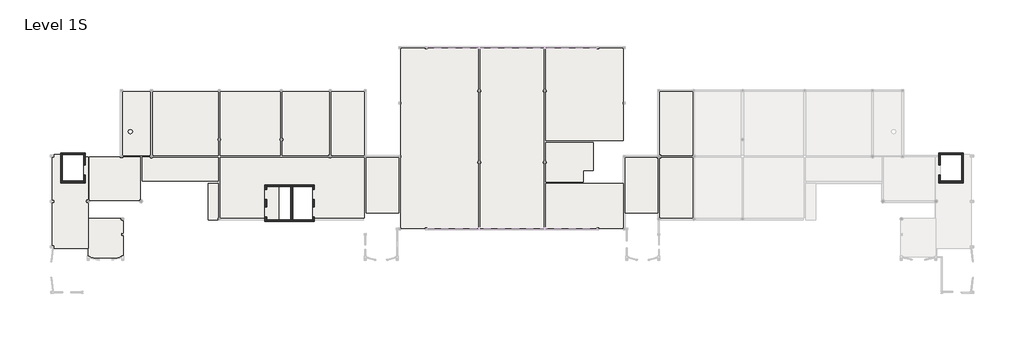
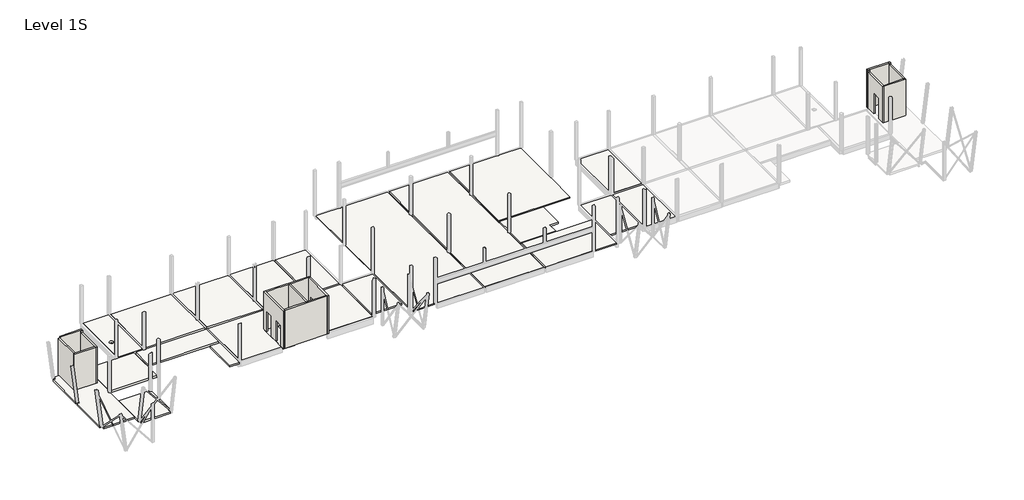
# One storey, part 1 of 8: 21 slabs, 13 walls.
"""IFC4 building model written with IfcOpenShell, lengths in millimetres."""

import ifcopenshell
import ifcopenshell.guid

model = None  # the IFC model being written
_history = None  # IfcOwnerHistory: only IFC2X3 demands one
_inside = {}  # id of a spatial element -> (the spatial element, [elements in it])
_under = {}  # id of a project, library or spatial element -> (it, [spatial elements below it])
_declared = {}  # id of a project -> (the project, [libraries it declares])
_typed = {}  # id of a type object -> (the type object, [elements of that type])
_made_of = {}  # id of a material, layer set ... -> (it, [elements and type objects made of it])


def new_model(schema):
    """Start an empty IFC model of exactly this schema.

    Asked for "IFC4X3", IfcOpenShell would pick the latest addendum, in which some entities
    have other attributes; the version numbers below select the first issue.
    IFC2X3 requires an IfcOwnerHistory on every rooted entity: one is made here for all.
    """
    global model, _history
    if schema == "IFC4X3":
        model = ifcopenshell.file(schema_version=(4, 3, 0, 0))
    else:
        model = ifcopenshell.file(schema=schema)
    _inside.clear()
    _under.clear()
    _declared.clear()
    _typed.clear()
    _made_of.clear()
    _history = None
    if model.schema == "IFC2X3":
        org = make("IfcOrganization", Name="unknown")
        user = make(
            "IfcPersonAndOrganization",
            ThePerson=make("IfcPerson", FamilyName="unknown"),
            TheOrganization=org,
        )
        app = make(
            "IfcApplication",
            ApplicationDeveloper=org,
            Version="unknown",
            ApplicationFullName="unknown",
            ApplicationIdentifier="unknown",
        )
        _history = make(
            "IfcOwnerHistory",
            OwningUser=user,
            OwningApplication=app,
            ChangeAction="ADDED",
            CreationDate=0,
        )
    return model


def make(cls, **values):
    """One entity of the class cls with the attributes given. An attribute that is None is left unset."""
    return model.create_entity(
        cls, **{name: value for name, value in values.items() if value is not None}
    )


def rooted(cls, **values):
    """An entity with a GlobalId (a new one), such as an element, a storey or a relation."""
    return make(cls, GlobalId=ifcopenshell.guid.new(), OwnerHistory=_history, **values)


def si_unit(unit_type, name, prefix=None):
    """IfcSIUnit, for example si_unit("LENGTHUNIT", "METRE", prefix="MILLI")."""
    return make("IfcSIUnit", UnitType=unit_type, Prefix=prefix, Name=name)


def assignment(units):
    """IfcUnitAssignment: the units of a project."""
    return None if units is None else make("IfcUnitAssignment", Units=units)


def point(xyz):
    """IfcCartesianPoint."""
    return None if xyz is None else make("IfcCartesianPoint", Coordinates=xyz)


def direction(xyz):
    """IfcDirection."""
    return None if xyz is None else make("IfcDirection", DirectionRatios=xyz)


def frame(location, z_axis=None, x_axis=None):
    """IfcAxis2Placement3D, a coordinate frame: its origin and axes. An axis left out is left unset."""
    return make(
        "IfcAxis2Placement3D",
        Location=point(location),
        Axis=direction(z_axis),
        RefDirection=direction(x_axis),
    )


def frame_2d(location, x_axis=None):
    """IfcAxis2Placement2D, a coordinate frame in the plane: its origin and x axis."""
    return make(
        "IfcAxis2Placement2D", Location=point(location), RefDirection=direction(x_axis)
    )


def origin():
    """The frame at (0, 0, 0) with its axes left unset."""
    return frame((0.0, 0.0, 0.0))


def place(relative_to, where):
    """IfcLocalPlacement: puts the frame where relative to a parent placement (None: the world)."""
    return make(
        "IfcLocalPlacement", PlacementRelTo=relative_to, RelativePlacement=where
    )


def context(
    kind, dimensions, precision=None, world=None, true_north=None, identifier=None
):
    """IfcGeometricRepresentationContext, for example the 3D "Model" context."""
    return make(
        "IfcGeometricRepresentationContext",
        ContextIdentifier=identifier,
        ContextType=kind,
        CoordinateSpaceDimension=dimensions,
        Precision=precision,
        WorldCoordinateSystem=world,
        TrueNorth=true_north,
    )


def project(units=None, contexts=None):
    """IfcProject with its units and contexts."""
    return rooted(
        "IfcProject",
        Name="project",
        RepresentationContexts=contexts,
        UnitsInContext=assignment(units),
    )


def spatial(cls, under=None, at=None, **own):
    """A site, building, storey or space (cls), placed at a placement, below another one or the project."""
    s = rooted(cls, ObjectPlacement=at, **own)
    if under is not None:
        _under.setdefault(under.id(), (under, []))[1].append(s)
    return s


def polyline(points):
    """IfcPolyline through the points."""
    return make("IfcPolyline", Points=[point(p) for p in points])


def circle_curve(where, radius):
    """IfcCircle in the frame where."""
    return make("IfcCircle", Position=where, Radius=radius)


def trimmed(basis, trim1, trim2, sense, master):
    """IfcTrimmedCurve: the piece of a basis curve between two trims."""
    return make(
        "IfcTrimmedCurve",
        BasisCurve=basis,
        Trim1=trim1,
        Trim2=trim2,
        SenseAgreement=sense,
        MasterRepresentation=master,
    )


def segment(curve, same_sense, transition):
    """IfcCompositeCurveSegment."""
    return make(
        "IfcCompositeCurveSegment",
        Transition=transition,
        SameSense=same_sense,
        ParentCurve=curve,
    )


def composite_curve(segments, self_intersect=None):
    """IfcCompositeCurve: segments joined end to end."""
    return make("IfcCompositeCurve", Segments=segments, SelfIntersect=self_intersect)


def outline(outer, holes=None, kind="AREA"):
    """IfcArbitraryClosedProfileDef: a profile drawn as a closed curve; with holes, ...WithVoids."""
    if holes is None:
        return make("IfcArbitraryClosedProfileDef", ProfileType=kind, OuterCurve=outer)
    return make(
        "IfcArbitraryProfileDefWithVoids",
        ProfileType=kind,
        OuterCurve=outer,
        InnerCurves=holes,
    )


def extrude(swept, where, along, depth):
    """IfcExtrudedAreaSolid: the profile swept, set in the frame where, extruded along a direction by depth."""
    return make(
        "IfcExtrudedAreaSolid",
        SweptArea=swept,
        Position=where,
        ExtrudedDirection=direction(along),
        Depth=depth,
    )


def faces_of(points, faces, orient=None, outer=None):
    """IfcFace entities. A face is a list of loops; a loop is a list of indices into points, from 0.

    orient and outer hold one flag for each loop. By default every Orientation is true, the
    first loop of a face is its IfcFaceOuterBound and the others are IfcFaceBound.
    """
    made = []
    for i, loops in enumerate(faces):
        bounds = []
        for j, loop in enumerate(loops):
            is_outer = j == 0 if outer is None else outer[i][j]
            bounds.append(
                make(
                    "IfcFaceOuterBound" if is_outer else "IfcFaceBound",
                    Bound=make("IfcPolyLoop", Polygon=[points[k] for k in loop]),
                    Orientation=True if orient is None else orient[i][j],
                )
            )
        made.append(make("IfcFace", Bounds=bounds))
    return made


def faceted_brep(points, faces, orient=None, outer=None, voids=None):
    """IfcFacetedBrep: a solid bounded by flat faces; with voids (closed shells), ...WithVoids."""
    shared = [point(p) for p in points]
    hull = make("IfcClosedShell", CfsFaces=faces_of(shared, faces, orient, outer))
    if voids is None:
        return make("IfcFacetedBrep", Outer=hull)
    return make(
        "IfcFacetedBrepWithVoids",
        Outer=hull,
        Voids=[
            make(cls, CfsFaces=faces_of(shared, fs, o, b)) for cls, fs, o, b in voids
        ],
    )


def shape(context_of_items, identifier, shape_type, items):
    """IfcShapeRepresentation: the items that make up one representation, for example the "Body"."""
    return make(
        "IfcShapeRepresentation",
        ContextOfItems=context_of_items,
        RepresentationIdentifier=identifier,
        RepresentationType=shape_type,
        Items=items,
    )


def made_of(thing, what):
    """Note that an element or type object is made of a material, layer set ...; save() writes the relation."""
    if what is not None:
        _made_of.setdefault(what.id(), (what, []))[1].append(thing)
    return thing


def element(
    cls,
    number,
    at=None,
    inside=None,
    cuts=None,
    type_object=None,
    material=None,
    context=None,
    identifier="Body",
    shape_type=None,
    held_by="IfcProductDefinitionShape",
    body=None,
    shapes=None,
    **own,
):
    """One element of the class cls, such as IfcWall. Its Tag is "e" and its number.

    at: its placement. inside: the storey or other place that contains it. cuts: it is an
    opening in that element (IfcRelVoidsElement). A single representation is given by context,
    identifier, shape_type and body (its items); several are given by shapes. held_by: the class
    of the entity that holds the representations. save() writes the other relations.
    """
    e = rooted(cls, Tag="e%d" % number, ObjectPlacement=at, **own)
    if body is not None:
        shapes = [shape(context, identifier, shape_type, body)]
    if shapes is not None:
        e.Representation = make(held_by, Representations=shapes)
    if inside is not None:
        _inside.setdefault(inside.id(), (inside, []))[1].append(e)
    if cuts is not None:
        rooted(
            "IfcRelVoidsElement", RelatingBuildingElement=cuts, RelatedOpeningElement=e
        )
    if type_object is not None:
        _typed.setdefault(type_object.id(), (type_object, []))[1].append(e)
    return made_of(e, material)


def aggregate(whole, parts):
    """IfcRelAggregates: a whole, such as a stair, and the parts it consists of."""
    return rooted("IfcRelAggregates", RelatingObject=whole, RelatedObjects=parts)


def save(model, path):
    """Write the relations noted so far, then the file.

    IfcRelAggregates (storeys below a building ...), IfcRelContainedInSpatialStructure (elements
    in a storey), IfcRelDefinesByType, IfcRelAssociatesMaterial and IfcRelDeclares: one each for
    every whole, place, type object, material and project.
    """
    for whole, parts in _under.values():
        aggregate(whole, parts)
    for where, things in _inside.values():
        rooted(
            "IfcRelContainedInSpatialStructure",
            RelatedElements=things,
            RelatingStructure=where,
        )
    for kind, things in _typed.values():
        rooted("IfcRelDefinesByType", RelatedObjects=things, RelatingType=kind)
    for what, things in _made_of.values():
        rooted("IfcRelAssociatesMaterial", RelatedObjects=things, RelatingMaterial=what)
    for by, libraries in _declared.values():
        rooted("IfcRelDeclares", RelatingContext=by, RelatedDefinitions=libraries)
    model.write(path)


def plane_surface(at):
    """IfcPlane: the flat surface through the origin of the frame at, square to its z axis."""
    return make("IfcPlane", Position=at)


def revolved_surface(curve, axis_point, axis_direction):
    """IfcSurfaceOfRevolution: the curve turned about the line through axis_point along axis_direction."""
    return make(
        "IfcSurfaceOfRevolution",
        SweptCurve=make("IfcArbitraryOpenProfileDef", ProfileType="CURVE", Curve=curve),
        AxisPosition=make("IfcAxis1Placement", Location=point(axis_point), Axis=direction(axis_direction)),
    )


def advanced_brep(points, edges, surfaces, faces):
    """IfcAdvancedBrep: a solid bounded by faces that lie on surfaces and meet in shared edges.

    An edge is (start, end): straight between two places in points (the first is 0);
    or (start, end, curve); or (start, end, curve, False) where it runs against its curve.
    A face is (place in surfaces, loops), or (place, loops, False) where it looks against
    its surface's normal. A loop lists edges by number (the first is 1), with a minus sign
    where the edge is run from its end to its start. The first loop is the outer one.
    """
    corners = [point(p) for p in points]
    vertices = [make("IfcVertexPoint", VertexGeometry=c) for c in corners]
    made = []
    for start, end, *more in edges:
        made.append(
            make(
                "IfcEdgeCurve",
                EdgeStart=vertices[start],
                EdgeEnd=vertices[end],
                EdgeGeometry=more[0] if more else make("IfcPolyline", Points=[corners[start], corners[end]]),
                SameSense=more[1] if len(more) > 1 else True,
            )
        )
    hull = []
    for where, loops, *sense in faces:
        bounds = []
        for j, loop in enumerate(loops):
            ring = [make("IfcOrientedEdge", EdgeElement=made[abs(k) - 1], Orientation=k > 0) for k in loop]
            bounds.append(
                make(
                    "IfcFaceOuterBound" if j == 0 else "IfcFaceBound",
                    Bound=make("IfcEdgeLoop", EdgeList=ring),
                    Orientation=True,
                )
            )
        hull.append(make("IfcAdvancedFace", Bounds=bounds, FaceSurface=surfaces[where], SameSense=sense[0] if sense else True))
    return make("IfcAdvancedBrep", Outer=make("IfcClosedShell", CfsFaces=hull))


model = new_model("IFC4")

# Units and contexts
model_context = context("Model", 3, world=origin())
ifc_project = project(units=[si_unit("LENGTHUNIT", "METRE", prefix="MILLI")], contexts=[model_context])

# Site, building, storey
site = spatial("IfcSite", under=ifc_project)
building = spatial("IfcBuilding", under=site)
storey = spatial("IfcBuildingStorey", under=building, Name="Level 1S", Elevation=3900.0)

# Slabs
placement = place(None, origin())
element("IfcSlab", 1, ObjectType="Cast In Place 200", at=placement, inside=storey, context=model_context, shape_type="Brep", body=[
    faceted_brep([(-45247.5749186, -17952.2248986, 3700.0), (-45259.3783174, -17952.2248986, 3700.0), (-46182.5711521, -17952.2248986, 3700.0), (-46182.5711521, -14586.7502797, 3700.0), (-45247.5749186, -14586.7502797, 3700.0), (-46182.5711521, -17952.2248986, 3900.0), (-45259.3783174, -17952.2248986, 3900.0), (-45247.5749186, -17952.2248986, 3900.0), (-45247.5749186, -17740.4214998, 3900.0), (-45247.5749186, -14586.7502797, 3900.0), (-46182.5711521, -14586.7502797, 3900.0)], [[[0, 1, 2, 3, 4]], [[5, 6, 7, 8, 9, 10]], [[5, 2, 1, 0, 7, 6]], [[2, 5, 10, 3]], [[7, 0, 4, 9, 8]], [[4, 3, 10, 9]]]),
])
element("IfcSlab", 2, ObjectType="Cast In Place 200", at=placement, inside=storey, context=model_context, shape_type="Brep", body=[
    faceted_brep([(-11769.4345903, -14476.6395763, 3700.0), (-15207.5749186, -14476.6395763, 3700.0), (-15207.5749186, -10826.6395763, 3700.0), (-10869.4345903, -10826.6395763, 3700.0), (-10869.4345903, -13426.6395763, 3700.0), (-11212.6397185, -13426.6395763, 3700.0), (-11514.4345903, -13426.6395763, 3700.0), (-11769.4345903, -13426.6395763, 3700.0), (-11769.4345903, -14426.6395763, 3700.0), (-15207.5749186, -14476.6395763, 3900.0), (-11769.4345903, -14476.6395763, 3900.0), (-11769.4345903, -14426.6395763, 3900.0), (-11769.4345903, -13426.6395763, 3900.0), (-11489.4345903, -13426.6395763, 3900.0), (-10869.4345903, -13426.6395763, 3900.0), (-10869.4345903, -10826.6395763, 3900.0), (-15207.5749186, -10826.6395763, 3900.0), (-15207.5749186, -12527.9214998, 3900.0), (-15207.5749186, -12751.5282975, 3900.0)], [[[0, 1, 2, 3, 4, 5, 6, 7, 8]], [[9, 10, 11, 12, 13, 14, 15, 16, 17, 18]], [[10, 0, 8, 7, 12, 11]], [[0, 10, 9, 1]], [[3, 2, 16, 15]], [[2, 1, 9, 18, 17, 16]], [[14, 4, 3, 15]], [[4, 14, 13, 12, 7, 6, 5]]]),
])
element("IfcSlab", 3, ObjectType="Lattice Girder Slab 50/180", at=placement, inside=storey, context=model_context, shape_type="Brep", body=[
    faceted_brep([(-59550.0749186, -11939.7248986, 3720.0), (-59550.0749186, -14394.7248986, 3720.0), (-57575.0749186, -14394.7248986, 3720.0), (-57575.0749186, -12194.7248986, 3720.0), (-57277.5749186, -12194.7248986, 3720.0), (-57177.5749186, -12194.7248986, 3720.0), (-57177.5749186, -16092.6479759, 3720.0), (-57177.5749186, -16144.1031039, 3720.0), (-57277.5749186, -16144.1031039, 3720.0), (-57277.5749186, -16344.1031039, 3720.0), (-57177.5749186, -16344.1031039, 3720.0), (-57177.5749186, -16392.6479759, 3720.0), (-57177.5749186, -20569.7248986, 3720.0), (-60265.9892538, -20569.7248986, 3720.0), (-60265.9892538, -20291.3915653, 3720.0), (-60471.4951735, -20291.3915653, 3720.0), (-60471.9846915, -16375.558232, 3720.0), (-60265.9892538, -16375.558232, 3720.0), (-60265.9892538, -16115.558232, 3720.0), (-60472.0171941, -16115.558232, 3720.0), (-60472.5067121, -12199.7248986, 3720.0), (-60265.9892538, -12199.7248986, 3720.0), (-60265.9892538, -11939.7248986, 3720.0), (-59700.0749186, -11939.7248986, 3720.0), (-59550.0749186, -14394.7248986, 3900.0), (-59550.0749186, -11939.7248986, 3900.0), (-59700.0749186, -11939.7248986, 3900.0), (-60265.9892538, -11939.7248986, 3900.0), (-60265.9892538, -12199.7248986, 3900.0), (-60472.5067121, -12199.7248986, 3900.0), (-60472.0171941, -16115.558232, 3900.0), (-60265.9892538, -16115.558232, 3900.0), (-60265.9892538, -16375.558232, 3900.0), (-60471.9846915, -16375.558232, 3900.0), (-60471.4951735, -20291.3915653, 3900.0), (-60265.9892538, -20291.3915653, 3900.0), (-60265.9892538, -20569.7248986, 3900.0), (-57177.5749186, -20569.7248986, 3900.0), (-57177.5749186, -16392.6479759, 3900.0), (-57177.5749186, -16344.1031039, 3900.0), (-57277.5749186, -16344.1031039, 3900.0), (-57277.5749186, -16144.1031039, 3900.0), (-57177.5749186, -16144.1031039, 3900.0), (-57177.5749186, -16092.6479759, 3900.0), (-57177.5749186, -12194.7248986, 3900.0), (-57425.0749186, -12194.7248986, 3900.0), (-57575.0749186, -12194.7248986, 3900.0), (-57575.0749186, -14394.7248986, 3900.0)], [[[0, 1, 2, 3, 4, 5, 6, 7, 8, 9, 10, 11, 12, 13, 14, 15, 16, 17, 18, 19, 20, 21, 22, 23]], [[24, 25, 26, 27, 28, 29, 30, 31, 32, 33, 34, 35, 36, 37, 38, 39, 40, 41, 42, 43, 44, 45, 46, 47]], [[12, 37, 36, 13]], [[25, 0, 23, 22, 27, 26]], [[37, 12, 11, 10, 39, 38]], [[5, 44, 43, 42, 7, 6]], [[1, 0, 25, 24]], [[2, 1, 24, 47]], [[2, 47, 46, 3]], [[5, 4, 3, 46, 45, 44]], [[21, 28, 27, 22]], [[28, 21, 20, 29]], [[29, 20, 19, 30]], [[33, 16, 15, 34]], [[18, 31, 30, 19]], [[31, 18, 17, 32]], [[32, 17, 16, 33]], [[14, 35, 34, 15]], [[35, 14, 13, 36]], [[40, 9, 8, 41]], [[9, 40, 39, 10]], [[41, 8, 7, 42]]]),
])
element("IfcSlab", 4, ObjectType="Lattice Girder Slab 50/180", at=placement, inside=storey, context=model_context, shape_type="SweptSolid", body=[
    extrude(outline(composite_curve([segment(polyline([(-57177.5695392, -21232.8725944), (-57177.5695392, -17802.2248986), (-54161.4962748, -17802.2248986)]), True, "CONTINUOUS"), segment(trimmed(circle_curve(frame_2d((-54020.0749186, -17852.2248986)), 150.0), [point((-54161.4962748, -17802.2248986))], [point((-54170.0749186, -17852.2248986))], True, "CARTESIAN"), True, "CONTINUOUS"), segment(trimmed(circle_curve(frame_2d((-54020.0749186, -17852.2248986)), 150.0), [point((-54170.0749186, -17852.2248986))], [point((-53970.0749186, -17993.6462549))], True, "CARTESIAN"), True, "CONTINUOUS"), segment(polyline([(-53970.0749186, -17993.6462549), (-53970.0749186, -19199.1395763), (-54115.0749186, -19199.1395763), (-54115.0749186, -19399.1395763), (-53970.0749186, -19399.1395763), (-53970.0749186, -21203.3007415), (-54150.0749186, -21203.3007415), (-54150.0749186, -21439.878054), (-57047.5749186, -21439.878054), (-57047.5749186, -21232.8725944), (-57177.5695392, -21232.8725944)]), True, "CONTINUOUS")], self_intersect=False)), frame((0.0, 0.0, 3720.0), z_axis=(0.0, 0.0, 1.0), x_axis=(1.0, 0.0, 0.0)), (0.0, 0.0, 1.0), 180.0),
])
element("IfcSlab", 5, ObjectType="Lattice Girder Slab 50/180", at=placement, inside=storey, context=model_context, shape_type="Brep", body=[
    faceted_brep([(-52415.0320216, -16144.1031039, 3720.0), (-57077.5749186, -16144.1031039, 3720.0), (-57077.5749186, -12194.7248986, 3720.0), (-54220.0749186, -12194.7248986, 3720.0), (-54220.0749186, -12219.7248986, 3720.0), (-54020.0749186, -12219.7248986, 3720.0), (-54020.0749186, -12194.7248986, 3720.0), (-52415.0320216, -12194.7248986, 3720.0), (-57077.5749186, -16144.1031039, 3900.0), (-57064.4868634, -16144.1031039, 3900.0), (-52426.8354205, -16144.1031039, 3900.0), (-52415.0320216, -16144.1031039, 3900.0), (-52415.0320216, -16132.2997051, 3900.0), (-52415.0320216, -12194.7248986, 3900.0), (-54020.0749186, -12194.7248986, 3900.0), (-54020.0749186, -12219.7248986, 3900.0), (-54220.0749186, -12219.7248986, 3900.0), (-54220.0749186, -12194.7248986, 3900.0), (-57077.5749186, -12194.7248986, 3900.0), (-57077.5749186, -16130.844577, 3900.0)], [[[0, 1, 2, 3, 4, 5, 6, 7]], [[8, 9, 10, 11, 12, 13, 14, 15, 16, 17, 18, 19]], [[0, 11, 10, 9, 8, 1]], [[11, 0, 7, 13, 12]], [[1, 8, 19, 18, 2]], [[13, 7, 6, 14]], [[2, 18, 17, 3]], [[4, 16, 15, 5]], [[5, 15, 14, 6]], [[16, 4, 3, 17]]]),
])
element("IfcSlab", 6, ObjectType="Lattice Girder Slab 50/180", at=placement, inside=storey, context=model_context, shape_type="Brep", body=[
    faceted_brep([(-52215.0320216, -14386.7502797, 3720.0), (-52215.0320216, -12194.7248986, 3720.0), (-51517.5749186, -12194.7248986, 3720.0), (-51517.5749186, -12269.7248986, 3720.0), (-51217.5749186, -12269.7248986, 3720.0), (-51217.5749186, -12219.7248986, 3720.0), (-45247.5749186, -12219.7248986, 3720.0), (-45247.5749186, -14386.7502797, 3720.0), (-52215.0320216, -12194.7248986, 3900.0), (-52215.0320216, -14386.7502797, 3900.0), (-45247.5749186, -14386.7502797, 3900.0), (-45247.5749186, -12269.7248986, 3900.0), (-45247.5749186, -12219.7248986, 3900.0), (-45297.5749186, -12219.7248986, 3900.0), (-51217.5749186, -12219.7248986, 3900.0), (-51217.5749186, -12269.7248986, 3900.0), (-51517.5749186, -12269.7248986, 3900.0), (-51517.5749186, -12194.7248986, 3900.0)], [[[0, 1, 2, 3, 4, 5, 6, 7]], [[8, 9, 10, 11, 12, 13, 14, 15, 16, 17]], [[9, 0, 7, 10]], [[0, 9, 8, 1]], [[12, 6, 5, 14, 13]], [[1, 8, 17, 2]], [[7, 6, 12, 11, 10]], [[3, 16, 15, 4]], [[4, 15, 14, 5]], [[16, 3, 2, 17]]]),
])
element("IfcSlab", 7, ObjectType="Lattice Girder Slab 50/180", at=placement, inside=storey, context=model_context, shape_type="Brep", body=[
    faceted_brep([(-31877.5749186, -17752.2248986, 3720.0), (-36575.0711521, -17752.2248986, 3720.0), (-36575.0711521, -14879.7248986, 3720.0), (-36425.0711521, -14879.7248986, 3720.0), (-36425.0711521, -14729.7248986, 3720.0), (-39700.0711521, -14729.7248986, 3720.0), (-40957.5711521, -14729.7248986, 3720.0), (-40957.5711521, -14879.7248986, 3720.0), (-40957.5711521, -17752.2248986, 3720.0), (-45047.5749186, -17752.2248986, 3720.0), (-45047.5749186, -12219.7248986, 3720.0), (-44997.5749186, -12219.7248986, 3720.0), (-39604.2335648, -12219.7248986, 3720.0), (-39304.2335648, -12219.7248986, 3720.0), (-35137.5749186, -12219.7248986, 3720.0), (-34837.5749186, -12219.7248986, 3720.0), (-31877.5749186, -12219.7248986, 3720.0), (-36575.0711521, -17752.2248986, 3900.0), (-36425.0711521, -17752.2248986, 3900.0), (-31889.3783174, -17752.2248986, 3900.0), (-31877.5749186, -17752.2248986, 3900.0), (-31877.5749186, -17740.4214998, 3900.0), (-31877.5749186, -12219.7248986, 3900.0), (-34837.5749186, -12219.7248986, 3900.0), (-35137.5749186, -12219.7248986, 3900.0), (-39304.2335648, -12219.7248986, 3900.0), (-39604.2335648, -12219.7248986, 3900.0), (-44997.5749186, -12219.7248986, 3900.0), (-45047.5749186, -12219.7248986, 3900.0), (-45047.5749186, -12269.7248986, 3900.0), (-45047.5749186, -17740.4214998, 3900.0), (-45047.5749186, -17752.2248986, 3900.0), (-45035.7715197, -17752.2248986, 3900.0), (-40957.5711521, -17752.2248986, 3900.0), (-40957.5711521, -14879.7248986, 3900.0), (-40957.5711521, -14729.7248986, 3900.0), (-39700.0711521, -14729.7248986, 3900.0), (-36425.0711521, -14729.7248986, 3900.0), (-36425.0711521, -14879.7248986, 3900.0), (-36575.0711521, -14879.7248986, 3900.0), (-36575.0711521, -15162.2248986, 3900.0), (-36575.0711521, -16062.2248986, 3900.0), (-36575.0711521, -16762.2248986, 3900.0), (-36575.0711521, -17662.2248986, 3900.0)], [[[0, 1, 2, 3, 4, 5, 6, 7, 8, 9, 10, 11, 12, 13, 14, 15, 16]], [[17, 18, 19, 20, 21, 22, 23, 24, 25, 26, 27, 28, 29, 30, 31, 32, 33, 34, 35, 36, 37, 38, 39, 40, 41, 42, 43]], [[22, 16, 15, 14, 13, 12, 11, 10, 28, 27, 26, 25, 24, 23]], [[16, 22, 21, 20, 0]], [[31, 9, 8, 33, 32]], [[1, 0, 20, 19, 18, 17]], [[2, 1, 17, 43, 42, 41, 40, 39]], [[10, 9, 31, 30, 29, 28]], [[4, 37, 36, 35, 6, 5]], [[38, 3, 2, 39]], [[37, 4, 3, 38]], [[6, 35, 34, 33, 8, 7]]]),
])
element("IfcSlab", 8, ObjectType="Lattice Girder Slab 50/180", at=placement, inside=storey, context=model_context, shape_type="AdvancedBrep", body=[
    advanced_brep(
    [(-54020.0749186, -6164.7248986, 3720.0), (-51467.5749186, -6164.7248986, 3720.0), (-51467.5749186, -11969.7248986, 3720.0), (-51517.5749186, -11969.7248986, 3720.0), (-51517.5749186, -12044.7248986, 3720.0), (-54020.0749186, -12044.7248986, 3720.0), (-53494.9312843, -9844.3712807, 3720.0), (-53094.9312843, -9844.3712807, 3720.0), (-51467.5749186, -6164.7248986, 3900.0), (-54020.0749186, -6164.7248986, 3900.0), (-54020.0749186, -6189.7248986, 3900.0), (-54020.0749186, -12019.7248986, 3900.0), (-54020.0749186, -12044.7248986, 3900.0), (-51517.5749186, -12044.7248986, 3900.0), (-51517.5749186, -11969.7248986, 3900.0), (-51467.5749186, -11969.7248986, 3900.0), (-51467.5749186, -6189.7248986, 3900.0), (-53094.9312843, -9844.3712807, 3900.0), (-53494.9312843, -9844.3712807, 3900.0)],
    [
        (0, 1),
        (1, 2),
        (2, 3),
        (3, 4),
        (4, 5),
        (5, 0),
        (6, 7, circle_curve(frame((-53294.9312843, -9844.3712807, 3720.0), z_axis=(0.0, 0.0, 1.0), x_axis=(1.0, 0.0, 0.0)), 200.0)),
        (7, 6, circle_curve(frame((-53294.9312843, -9844.3712807, 3720.0), z_axis=(0.0, 0.0, 1.0), x_axis=(1.0, 0.0, 0.0)), 200.0)),
        (8, 9),
        (9, 10),
        (10, 11),
        (11, 12),
        (12, 13),
        (13, 14),
        (14, 15),
        (15, 16),
        (16, 8),
        (17, 18, circle_curve(frame((-53294.9312843, -9844.3712807, 3900.0), z_axis=(0.0, 0.0, -1.0), x_axis=(1.0, 0.0, 0.0)), 200.0)),
        (18, 17, circle_curve(frame((-53294.9312843, -9844.3712807, 3900.0), z_axis=(0.0, 0.0, -1.0), x_axis=(1.0, 0.0, 0.0)), 200.0)),
        (9, 0),
        (5, 12),
        (1, 8),
        (15, 2),
        (4, 13),
        (6, 18),
        (17, 7),
        (3, 14),
    ],
    [
        plane_surface(frame((-31607.5749186, -6089.7248986, 3720.0), z_axis=(0.0, 0.0, -1.0), x_axis=(1.0, 0.0, 0.0))),
        plane_surface(frame((-31607.5749186, -6089.7248986, 3900.0), z_axis=(0.0, 0.0, 1.0), x_axis=(-1.0, 0.0, 0.0))),
        plane_surface(frame((-54020.0749186, -6189.7248986, 3900.0), z_axis=(-1.0, 0.0, 0.0), x_axis=(0.0, 0.0, -1.0))),
        plane_surface(frame((-51467.5749186, -6202.4248986, 3250.0), z_axis=(1.0, 0.0, 0.0), x_axis=(0.0, -1.0, 0.0))),
        plane_surface(frame((-51480.2749186, -6164.7248986, 3900.0), z_axis=(0.0, 1.0, 0.0), x_axis=(-1.0, 0.0, 0.0))),
        plane_surface(frame((-51530.2749186, -12044.7248986, 3400.0), z_axis=(0.0, -1.0, 0.0), x_axis=(-1.0, 0.0, 0.0))),
        revolved_surface(polyline([(-53094.9312843, -9844.3712807, 3900.0), (-53094.9312843, -9844.3712807, 3720.0)]), (-53294.9312843, -9844.3712807, 3415.2), (0.0, 0.0, 1.0)),
        plane_surface(frame((-51517.5749186, -11969.7248986, 3900.0), z_axis=(1.0, 0.0, 0.0), x_axis=(0.0, 0.0, -1.0))),
        plane_surface(frame((-51217.5749186, -11969.7248986, 3900.0), z_axis=(0.0, -1.0, 0.0), x_axis=(0.0, 0.0, -1.0))),
    ],
    [
        (0, [[1, 2, 3, 4, 5, 6], [7, 8]]),
        (1, [[9, 10, 11, 12, 13, 14, 15, 16, 17], [18, 19]]),
        (2, [[20, -6, 21, -12, -11, -10]]),
        (3, [[22, -17, -16, 23, -2]]),
        (4, [[-1, -20, -9, -22]]),
        (5, [[-21, -5, 24, -13]]),
        (6, [[25, -18, 26, -7]]),
        (6, [[-25, -8, -26, -19]]),
        (7, [[27, -14, -24, -4]]),
        (8, [[-27, -3, -23, -15]]),
    ],
),
])
element("IfcSlab", 9, ObjectType="Lattice Girder Slab 50/180", at=placement, inside=storey, context=model_context, shape_type="Brep", body=[
    faceted_brep([(-51267.5749186, -12019.7248986, 3720.0), (-51267.5749186, -6164.7248986, 3720.0), (-45247.5749186, -6164.7248986, 3720.0), (-45247.5749186, -12019.7248986, 3720.0), (-51267.5749186, -6164.7248986, 3900.0), (-51267.5749186, -6189.7248986, 3900.0), (-51267.5749186, -11969.7248986, 3900.0), (-51267.5749186, -12019.7248986, 3900.0), (-51217.5749186, -12019.7248986, 3900.0), (-45297.5749186, -12019.7248986, 3900.0), (-45247.5749186, -12019.7248986, 3900.0), (-45247.5749186, -11969.7248986, 3900.0), (-45247.5749186, -6189.7248986, 3900.0), (-45247.5749186, -6164.7248986, 3900.0)], [[[0, 1, 2, 3]], [[4, 5, 6, 7, 8, 9, 10, 11, 12, 13]], [[0, 7, 6, 5, 4, 1]], [[7, 0, 3, 10, 9, 8]], [[1, 4, 13, 2]], [[3, 2, 13, 12, 11, 10]]]),
])
element("IfcSlab", 10, ObjectType="Lattice Girder Slab 50/180", at=placement, inside=storey, context=model_context, shape_type="Brep", body=[
    faceted_brep([(-39554.2335648, -12019.7248986, 3720.0), (-45047.5749186, -12019.7248986, 3720.0), (-45047.5749186, -6164.7248986, 3720.0), (-39554.2335648, -6164.7248986, 3720.0), (-45047.5749186, -12019.7248986, 3900.0), (-44997.5749186, -12019.7248986, 3900.0), (-39604.2335648, -12019.7248986, 3900.0), (-39554.2335648, -12019.7248986, 3900.0), (-39554.2335648, -11969.7248986, 3900.0), (-39554.2335648, -6189.7248986, 3900.0), (-39554.2335648, -6164.7248986, 3900.0), (-45047.5749186, -6164.7248986, 3900.0), (-45047.5749186, -6189.7248986, 3900.0), (-45047.5749186, -11969.7248986, 3900.0)], [[[0, 1, 2, 3]], [[4, 5, 6, 7, 8, 9, 10, 11, 12, 13]], [[1, 4, 13, 12, 11, 2]], [[7, 0, 3, 10, 9, 8]], [[1, 0, 7, 6, 5, 4]], [[3, 2, 11, 10]]]),
])
element("IfcSlab", 11, ObjectType="Lattice Girder Slab 50/180", at=placement, inside=storey, context=model_context, shape_type="Brep", body=[
    faceted_brep([(-35087.5749186, -12019.7248986, 3720.0), (-39354.2335648, -12019.7248986, 3720.0), (-39354.2335648, -6164.7248986, 3720.0), (-35087.5749186, -6164.7248986, 3720.0), (-39354.2335648, -12019.7248986, 3900.0), (-39304.2335648, -12019.7248986, 3900.0), (-35137.5749186, -12019.7248986, 3900.0), (-35087.5749186, -12019.7248986, 3900.0), (-35087.5749186, -11969.7248986, 3900.0), (-35087.5749186, -6189.7248986, 3900.0), (-35087.5749186, -6164.7248986, 3900.0), (-39354.2335648, -6164.7248986, 3900.0), (-39354.2335648, -6189.7248986, 3900.0), (-39354.2335648, -11969.7248986, 3900.0)], [[[0, 1, 2, 3]], [[4, 5, 6, 7, 8, 9, 10, 11, 12, 13]], [[7, 0, 3, 10, 9, 8]], [[1, 4, 13, 12, 11, 2]], [[1, 0, 7, 6, 5, 4]], [[3, 2, 11, 10]]]),
])
element("IfcSlab", 12, ObjectType="Lattice Girder Slab 50/180", at=placement, inside=storey, context=model_context, shape_type="Brep", body=[
    faceted_brep([(-31877.5749186, -12019.7248986, 3720.0), (-34887.5749186, -12019.7248986, 3720.0), (-34887.5749186, -6164.7248986, 3720.0), (-31877.5749186, -6164.7248986, 3720.0), (-34887.5749186, -12019.7248986, 3900.0), (-34837.5749186, -12019.7248986, 3900.0), (-31877.5749186, -12019.7248986, 3900.0), (-31877.5749186, -6189.7248986, 3900.0), (-31877.5749186, -6164.7248986, 3900.0), (-34887.5749186, -6164.7248986, 3900.0), (-34887.5749186, -6189.7248986, 3900.0), (-34887.5749186, -11969.7248986, 3900.0)], [[[0, 1, 2, 3]], [[4, 5, 6, 7, 8, 9, 10, 11]], [[6, 0, 3, 8, 7]], [[1, 4, 11, 10, 9, 2]], [[1, 0, 6, 5, 4]], [[3, 2, 9, 8]]]),
])
element("IfcSlab", 13, ObjectType="Lattice Girder Slab 50/180", at=placement, inside=storey, context=model_context, shape_type="SweptSolid", body=[
    extrude(outline(polyline([(-28690.0749186, -17289.7248986), (-31677.5749186, -17289.7248986), (-31677.5749186, -12219.7248986), (-28690.0749186, -12219.7248986), (-28690.0749186, -17289.7248986)])), frame((0.0, 0.0, 3720.0), z_axis=(0.0, 0.0, 1.0), x_axis=(1.0, 0.0, 0.0)), (0.0, 0.0, 1.0), 180.0),
])
element("IfcSlab", 14, ObjectType="Lattice Girder Slab 50/180", at=placement, inside=storey, context=model_context, shape_type="Brep", body=[
    faceted_brep([(-4737.5749186, -6164.7248986, 3720.0), (-1727.5749186, -6164.7248986, 3720.0), (-1727.5749186, -11969.7248986, 3720.0), (-1777.5749186, -11969.7248986, 3720.0), (-1777.5749186, -12019.7248986, 3720.0), (-4737.5749186, -12019.7248986, 3720.0), (-1727.5749186, -6164.7248986, 3900.0), (-4737.5749186, -6164.7248986, 3900.0), (-4737.5749186, -6189.7248986, 3900.0), (-4737.5749186, -11969.7248986, 3900.0), (-4737.5749186, -12019.7248986, 3900.0), (-4687.5749186, -12019.7248986, 3900.0), (-1777.5749186, -12019.7248986, 3900.0), (-1777.5749186, -11969.7248986, 3900.0), (-1727.5749186, -11969.7248986, 3900.0), (-1727.5749186, -6189.7248986, 3900.0)], [[[0, 1, 2, 3, 4, 5]], [[6, 7, 8, 9, 10, 11, 12, 13, 14, 15]], [[6, 1, 0, 7]], [[1, 6, 15, 14, 2]], [[7, 0, 5, 10, 9, 8]], [[10, 5, 4, 12, 11]], [[3, 13, 12, 4]], [[13, 3, 2, 14]]]),
])
element("IfcSlab", 15, ObjectType="Lattice Girder Slab 50/180", at=placement, inside=storey, context=model_context, shape_type="Brep", body=[
    faceted_brep([(-4937.5749186, -12219.7248986, 3720.0), (-4937.5749186, -17289.7248986, 3720.0), (-7925.0749186, -17289.7248986, 3720.0), (-7925.0749186, -12219.7248986, 3720.0), (-4937.5749186, -17289.7248986, 3900.0), (-4937.5749186, -12269.7248986, 3900.0), (-4937.5749186, -12219.7248986, 3900.0), (-4987.5749186, -12219.7248986, 3900.0), (-7925.0749186, -12219.7248986, 3900.0), (-7925.0749186, -17289.7248986, 3900.0)], [[[0, 1, 2, 3]], [[4, 5, 6, 7, 8, 9]], [[1, 4, 9, 2]], [[4, 1, 0, 6, 5]], [[6, 0, 3, 8, 7]], [[3, 2, 9, 8]]]),
])
element("IfcSlab", 16, ObjectType="Lattice Girder Slab 50/180", at=placement, inside=storey, context=model_context, shape_type="Brep", body=[
    faceted_brep([(-1727.5749186, -17752.2248986, 3720.0), (-4737.5749186, -17752.2248986, 3720.0), (-4737.5749186, -12219.7248986, 3720.0), (-1777.5749186, -12219.7248986, 3720.0), (-1777.5749186, -12269.7248986, 3720.0), (-1727.5749186, -12269.7248986, 3720.0), (-4737.5749186, -17752.2248986, 3900.0), (-4725.7715197, -17752.2248986, 3900.0), (-1739.3783174, -17752.2248986, 3900.0), (-1727.5749186, -17752.2248986, 3900.0), (-1727.5749186, -17740.4214998, 3900.0), (-1727.5749186, -12269.7248986, 3900.0), (-1777.5749186, -12269.7248986, 3900.0), (-1777.5749186, -12219.7248986, 3900.0), (-4687.5749186, -12219.7248986, 3900.0), (-4737.5749186, -12219.7248986, 3900.0), (-4737.5749186, -12269.7248986, 3900.0), (-4737.5749186, -17740.4214998, 3900.0)], [[[0, 1, 2, 3, 4, 5]], [[6, 7, 8, 9, 10, 11, 12, 13, 14, 15, 16, 17]], [[2, 15, 14, 13, 3]], [[9, 0, 5, 11, 10]], [[0, 9, 8, 7, 6, 1]], [[2, 1, 6, 17, 16, 15]], [[4, 12, 11, 5]], [[12, 4, 3, 13]]]),
])
element("IfcSlab", 17, ObjectType="Lattice Girder Slab 50/180", at=placement, inside=storey, context=model_context, shape_type="Brep", body=[
    faceted_brep([(-39700.0711521, -17944.7248986, 3720.0), (-40807.5711521, -17944.7248986, 3720.0), (-40957.5711521, -17944.7248986, 3720.0), (-40957.5711521, -17752.2248986, 3720.0), (-40957.5711521, -14879.7248986, 3720.0), (-40807.5711521, -14879.7248986, 3720.0), (-39700.0711521, -14879.7248986, 3720.0), (-40957.5711521, -17944.7248986, 3900.0), (-39700.0711521, -17944.7248986, 3900.0), (-39700.0711521, -14879.7248986, 3900.0), (-40957.5711521, -14879.7248986, 3900.0), (-40957.5711521, -15158.4748986, 3900.0), (-40957.5711521, -16058.4748986, 3900.0), (-40957.5711521, -16765.9748986, 3900.0), (-40957.5711521, -17665.9748986, 3900.0), (-40957.5711521, -17752.2248986, 3900.0)], [[[0, 1, 2, 3, 4, 5, 6]], [[7, 8, 9, 10, 11, 12, 13, 14, 15]], [[2, 7, 15, 14, 13, 12, 11, 10, 4, 3]], [[8, 0, 6, 9]], [[2, 1, 0, 8, 7]], [[6, 5, 4, 10, 9]]]),
])
element("IfcSlab", 18, ObjectType="Precast Hollow Core 150+50", at=placement, inside=storey, context=model_context, shape_type="Brep", body=[
    faceted_brep([(-26082.5749186, -18726.6395763, 3794.6349541), (-26082.5749186, -18676.6395763, 3794.6349541), (-26282.5749186, -18676.6395763, 3794.6349541), (-26282.5749186, -18726.6395763, 3794.6349541), (-28490.0749186, -18726.6395763, 3794.6349541), (-28490.0749186, -2174.7248986, 3794.6349541), (-26282.5749186, -2174.7248986, 3794.6349541), (-26282.5749186, -2224.7248986, 3794.6349541), (-26082.5749186, -2224.7248986, 3794.6349541), (-26082.5749186, -2174.7248986, 3794.6349541), (-21407.5749186, -2174.7248986, 3794.6349541), (-21407.5749186, -18726.6395763, 3794.6349541), (-26082.5749186, -18676.6395763, 3900.0), (-26082.5749186, -18726.6395763, 3900.0), (-21407.5749186, -18726.6395763, 3900.0), (-21407.5749186, -18676.6395763, 3900.0), (-21407.5749186, -12751.5282975, 3900.0), (-21407.5749186, -12527.9214998, 3900.0), (-21407.5749186, -6201.5282975, 3900.0), (-21407.5749186, -5977.9214998, 3900.0), (-21407.5749186, -2224.7248986, 3900.0), (-21407.5749186, -2174.7248986, 3900.0), (-26082.5749186, -2174.7248986, 3900.0), (-26082.5749186, -2224.7248986, 3900.0), (-26282.5749186, -2224.7248986, 3900.0), (-26282.5749186, -2174.7248986, 3900.0), (-28490.0749186, -2174.7248986, 3900.0), (-28490.0749186, -2224.7248986, 3900.0), (-28490.0749186, -7125.9748986, 3900.0), (-28490.0749186, -7325.9748986, 3900.0), (-28490.0749186, -12019.7248986, 3900.0), (-28490.0749186, -12219.7248986, 3900.0), (-28490.0749186, -18676.6395763, 3900.0), (-28490.0749186, -18726.6395763, 3900.0), (-26282.5749186, -18726.6395763, 3900.0), (-26282.5749186, -18676.6395763, 3900.0)], [[[0, 1, 2, 3, 4, 5, 6, 7, 8, 9, 10, 11]], [[12, 13, 14, 15, 16, 17, 18, 19, 20, 21, 22, 23, 24, 25, 26, 27, 28, 29, 30, 31, 32, 33, 34, 35]], [[4, 33, 32, 31, 30, 29, 28, 27, 26, 5]], [[33, 4, 3, 34]], [[11, 14, 13, 0]], [[14, 11, 10, 21, 20, 19, 18, 17, 16, 15]], [[12, 1, 0, 13]], [[2, 35, 34, 3]], [[35, 2, 1, 12]], [[21, 10, 9, 22]], [[5, 26, 25, 6]], [[7, 24, 23, 8]], [[8, 23, 22, 9]], [[24, 7, 6, 25]]]),
])
element("IfcSlab", 19, ObjectType="Precast Hollow Core 150+50", at=placement, inside=storey, context=model_context, shape_type="Brep", body=[
    faceted_brep([(-8125.0749186, -2174.7248986, 3794.6349541), (-8125.0749186, -10676.6395763, 3794.6349541), (-15207.5749186, -10676.6395763, 3794.6349541), (-15207.5749186, -2174.7248986, 3794.6349541), (-10532.5749186, -2174.7248986, 3794.6349541), (-10532.5749186, -2224.7248986, 3794.6349541), (-10332.5749186, -2224.7248986, 3794.6349541), (-10332.5749186, -2174.7248986, 3794.6349541), (-8125.0749186, -10676.6395763, 3900.0), (-8125.0749186, -7325.9748986, 3900.0), (-8125.0749186, -7125.9748986, 3900.0), (-8125.0749186, -2224.7248986, 3900.0), (-8125.0749186, -2174.7248986, 3900.0), (-10332.5749186, -2174.7248986, 3900.0), (-10332.5749186, -2224.7248986, 3900.0), (-10532.5749186, -2224.7248986, 3900.0), (-10532.5749186, -2174.7248986, 3900.0), (-15207.5749186, -2174.7248986, 3900.0), (-15207.5749186, -2224.7248986, 3900.0), (-15207.5749186, -5977.9214998, 3900.0), (-15207.5749186, -6201.5282975, 3900.0), (-15207.5749186, -10676.6395763, 3900.0)], [[[0, 1, 2, 3, 4, 5, 6, 7]], [[8, 9, 10, 11, 12, 13, 14, 15, 16, 17, 18, 19, 20, 21]], [[17, 3, 2, 21, 20, 19, 18]], [[0, 12, 11, 10, 9, 8, 1]], [[3, 17, 16, 4]], [[12, 0, 7, 13]], [[2, 1, 8, 21]], [[5, 15, 14, 6]], [[6, 14, 13, 7]], [[15, 5, 4, 16]]]),
])
element("IfcSlab", 20, ObjectType="Precast Hollow Core 150+50", at=placement, inside=storey, context=model_context, shape_type="Brep", body=[
    faceted_brep([(-15407.5749186, -18726.6395763, 3794.6349541), (-21207.5749186, -18726.6395763, 3794.6349541), (-21207.5749186, -2174.7248986, 3794.6349541), (-15407.5749186, -2174.7248986, 3794.6349541), (-21207.5749186, -18726.6395763, 3900.0), (-15407.5749186, -18726.6395763, 3900.0), (-15407.5749186, -18676.6395763, 3900.0), (-15407.5749186, -12751.5282975, 3900.0), (-15407.5749186, -12527.9214998, 3900.0), (-15407.5749186, -6201.5282975, 3900.0), (-15407.5749186, -5977.9214998, 3900.0), (-15407.5749186, -2224.7248986, 3900.0), (-15407.5749186, -2174.7248986, 3900.0), (-21207.5749186, -2174.7248986, 3900.0), (-21207.5749186, -2224.7248986, 3900.0), (-21207.5749186, -5977.9214998, 3900.0), (-21207.5749186, -6201.5282975, 3900.0), (-21207.5749186, -12527.9214998, 3900.0), (-21207.5749186, -12751.5282975, 3900.0), (-21207.5749186, -18676.6395763, 3900.0)], [[[0, 1, 2, 3]], [[4, 5, 6, 7, 8, 9, 10, 11, 12, 13, 14, 15, 16, 17, 18, 19]], [[1, 4, 19, 18, 17, 16, 15, 14, 13, 2]], [[5, 0, 3, 12, 11, 10, 9, 8, 7, 6]], [[1, 0, 5, 4]], [[3, 2, 13, 12]]]),
])
element("IfcSlab", 21, ObjectType="Precast Hollow Core 150+50", at=placement, inside=storey, context=model_context, shape_type="Brep", body=[
    faceted_brep([(-15207.5749186, -18726.6395763, 3794.6349541), (-15207.5749186, -14626.6395763, 3794.6349541), (-8125.0749186, -14626.6395763, 3794.6349541), (-8125.0749186, -18726.6395763, 3794.6349541), (-10332.5749186, -18726.6395763, 3794.6349541), (-10332.5749186, -18676.6395763, 3794.6349541), (-10532.5749186, -18676.6395763, 3794.6349541), (-10532.5749186, -18726.6395763, 3794.6349541), (-15207.5749186, -14626.6395763, 3900.0), (-15207.5749186, -18676.6395763, 3900.0), (-15207.5749186, -18726.6395763, 3900.0), (-10532.5749186, -18726.6395763, 3900.0), (-10532.5749186, -18676.6395763, 3900.0), (-10332.5749186, -18676.6395763, 3900.0), (-10332.5749186, -18726.6395763, 3900.0), (-8125.0749186, -18726.6395763, 3900.0), (-8125.0749186, -18676.6395763, 3900.0), (-8125.0749186, -14626.6395763, 3900.0)], [[[0, 1, 2, 3, 4, 5, 6, 7]], [[8, 9, 10, 11, 12, 13, 14, 15, 16, 17]], [[1, 8, 17, 2]], [[8, 1, 0, 10, 9]], [[3, 15, 14, 4]], [[10, 0, 7, 11]], [[3, 2, 17, 16, 15]], [[13, 5, 4, 14]], [[6, 12, 11, 7]], [[12, 6, 5, 13]]]),
])

# Walls
element("IfcWall", 22, ObjectType="Concrete CIP - 150 mm", at=placement, inside=storey, context=model_context, shape_type="Brep", body=[
    faceted_brep([(-59700.0749186, -14544.7248986, 3900.0), (-57575.0749186, -14544.7248986, 3900.0), (-57575.0749186, -14544.7248986, 7720.0), (-59700.0749186, -14544.7248986, 7720.0), (-57575.0749186, -14394.7248986, 3900.0), (-59550.0749186, -14394.7248986, 3900.0), (-59700.0749186, -14394.7248986, 3900.0), (-59700.0749186, -14394.7248986, 7720.0), (-59550.0749186, -14394.7248986, 7720.0), (-57575.0749186, -14394.7248986, 7720.0)], [[[0, 1, 2, 3]], [[4, 5, 6, 7, 8, 9]], [[1, 0, 6, 5, 4]], [[6, 0, 3, 7]], [[1, 4, 9, 2]], [[3, 2, 9, 8, 7]]]),
])
element("IfcWall", 23, ObjectType="Concrete CIP - 150 mm", at=placement, inside=storey, context=model_context, shape_type="Brep", body=[
    faceted_brep([(-59700.0749186, -11787.2248986, 3900.0), (-59700.0749186, -14394.7248986, 3900.0), (-59700.0749186, -14394.7248986, 7720.0), (-59700.0749186, -11787.2248986, 7720.0), (-59550.0749186, -14394.7248986, 3900.0), (-59550.0749186, -11937.2248986, 3900.0), (-59550.0749186, -11787.2248986, 3900.0), (-59550.0749186, -11787.2248986, 7720.0), (-59550.0749186, -14394.7248986, 7720.0)], [[[0, 1, 2, 3]], [[4, 5, 6, 7, 8]], [[1, 0, 6, 5, 4]], [[6, 0, 3, 7]], [[1, 4, 8, 2]], [[3, 2, 8, 7]]]),
])
element("IfcWall", 24, ObjectType="Concrete CIP - 150 mm", at=placement, inside=storey, context=model_context, shape_type="Brep", body=[
    faceted_brep([(-57425.0749186, -11787.2248986, 3900.0), (-59550.0749186, -11787.2248986, 3900.0), (-59550.0749186, -11787.2248986, 7720.0), (-59550.0749186, -11787.2248986, 7900.0), (-57425.0749186, -11787.2248986, 7900.0), (-57425.0749186, -11937.2248986, 3900.0), (-57425.0749186, -11937.2248986, 7900.0), (-57575.0749186, -11937.2248986, 7900.0), (-59550.0749186, -11937.2248986, 7900.0), (-59550.0749186, -11937.2248986, 3900.0), (-57575.0749186, -11937.2248986, 3900.0)], [[[0, 1, 2, 3, 4]], [[5, 6, 7, 8, 9, 10]], [[1, 0, 5, 10, 9]], [[4, 3, 8, 7, 6]], [[0, 4, 6, 5]], [[3, 2, 1, 9, 8]]]),
])
element("IfcWall", 25, ObjectType="Concrete CIP - 150 mm", at=placement, inside=storey, context=model_context, shape_type="Brep", body=[
    faceted_brep([(-57425.0749186, -11937.2248986, 3900.0), (-57425.0749186, -11937.2248986, 7900.0), (-57425.0749186, -12044.7248986, 7900.0), (-57425.0749186, -12044.7248986, 7720.0), (-57425.0749186, -14544.7248986, 7720.0), (-57425.0749186, -14544.7248986, 3900.0), (-57425.0749186, -13827.2248986, 3900.0), (-57425.0749186, -13827.2248986, 6100.0), (-57425.0749186, -12927.2248986, 6100.0), (-57425.0749186, -12927.2248986, 3900.0), (-57575.0749186, -11937.2248986, 7900.0), (-57575.0749186, -11937.2248986, 3900.0), (-57575.0749186, -12927.2248986, 3900.0), (-57575.0749186, -12927.2248986, 6100.0), (-57575.0749186, -13827.2248986, 6100.0), (-57575.0749186, -13827.2248986, 3900.0), (-57575.0749186, -14394.7248986, 3900.0), (-57575.0749186, -14544.7248986, 3900.0), (-57575.0749186, -14544.7248986, 7720.0), (-57575.0749186, -14394.7248986, 7720.0), (-57575.0749186, -12194.7248986, 7720.0), (-57575.0749186, -12044.7248986, 7720.0), (-57575.0749186, -12044.7248986, 7900.0)], [[[0, 1, 2, 3, 4, 5, 6, 7, 8, 9]], [[10, 11, 12, 13, 14, 15, 16, 17, 18, 19, 20, 21, 22]], [[5, 17, 16, 15, 6]], [[11, 0, 9, 12]], [[1, 10, 22, 2]], [[17, 5, 4, 18]], [[1, 0, 11, 10]], [[9, 8, 13, 12]], [[7, 6, 15, 14]], [[8, 7, 14, 13]], [[3, 21, 20, 19, 18, 4]], [[21, 3, 2, 22]]]),
])
element("IfcWall", 26, ObjectType="Concrete CIP - 150 mm", at=placement, inside=storey, context=model_context, shape_type="Brep", body=[
    faceted_brep([(-40807.5711521, -18094.7248986, 3900.0), (-36575.0711521, -18094.7248986, 3900.0), (-36575.0711521, -18094.7248986, 7900.0), (-40807.5711521, -18094.7248986, 7900.0), (-40807.5711521, -17944.7248986, 3900.0), (-40807.5711521, -17944.7248986, 7720.0), (-40807.5711521, -17944.7248986, 7900.0), (-39700.0711521, -17944.7248986, 7900.0), (-38575.0711521, -17944.7248986, 7900.0), (-38425.0711521, -17944.7248986, 7900.0), (-36575.0711521, -17944.7248986, 7900.0), (-36575.0711521, -17944.7248986, 3900.0), (-38425.0711521, -17944.7248986, 3900.0), (-38575.0711521, -17944.7248986, 3900.0)], [[[0, 1, 2, 3]], [[4, 5, 6, 7, 8, 9, 10, 11, 12, 13]], [[1, 0, 4, 13, 12, 11]], [[3, 2, 10, 9, 8, 7, 6]], [[2, 1, 11, 10]], [[0, 3, 6, 5, 4]]]),
])
element("IfcWall", 27, ObjectType="Concrete CIP - 150 mm", at=placement, inside=storey, context=model_context, shape_type="SweptSolid", body=[
    extrude(outline(polyline([(-38575.0711521, -17944.7248986), (-38575.0711521, -14879.7248986), (-38425.0711521, -14879.7248986), (-38425.0711521, -17944.7248986), (-38575.0711521, -17944.7248986)])), frame((0.0, 0.0, 3900.0), z_axis=(0.0, 0.0, 1.0), x_axis=(1.0, 0.0, 0.0)), (0.0, 0.0, 1.0), 4000.0),
])
element("IfcWall", 28, ObjectType="Concrete CIP - 150 mm", at=placement, inside=storey, context=model_context, shape_type="Brep", body=[
    faceted_brep([(-36425.0711521, -14729.7248986, 3900.0), (-40807.5711521, -14729.7248986, 3900.0), (-40807.5711521, -14729.7248986, 7900.0), (-36425.0711521, -14729.7248986, 7900.0), (-36425.0711521, -14879.7248986, 3900.0), (-36425.0711521, -14879.7248986, 7900.0), (-36575.0711521, -14879.7248986, 7900.0), (-38425.0711521, -14879.7248986, 7900.0), (-38575.0711521, -14879.7248986, 7900.0), (-39700.0711521, -14879.7248986, 7900.0), (-40807.5711521, -14879.7248986, 7900.0), (-40807.5711521, -14879.7248986, 7720.0), (-40807.5711521, -14879.7248986, 3900.0), (-38575.0711521, -14879.7248986, 3900.0), (-38425.0711521, -14879.7248986, 3900.0), (-36575.0711521, -14879.7248986, 3900.0)], [[[0, 1, 2, 3]], [[4, 5, 6, 7, 8, 9, 10, 11, 12, 13, 14, 15]], [[1, 0, 4, 15, 14, 13, 12]], [[3, 2, 10, 9, 8, 7, 6, 5]], [[0, 3, 5, 4]], [[2, 1, 12, 11, 10]]]),
])
element("IfcWall", 29, ObjectType="Concrete CIP - 150 mm", at=placement, inside=storey, context=model_context, shape_type="Brep", body=[
    faceted_brep([(-36425.0711521, -16762.2248986, 3900.0), (-36425.0711521, -16062.2248986, 3900.0), (-36425.0711521, -16062.2248986, 6100.0), (-36425.0711521, -15162.2248986, 6100.0), (-36425.0711521, -15162.2248986, 3900.0), (-36425.0711521, -14879.7248986, 3900.0), (-36425.0711521, -14879.7248986, 7900.0), (-36425.0711521, -18094.7248986, 7900.0), (-36425.0711521, -18094.7248986, 3900.0), (-36425.0711521, -17662.2248986, 3900.0), (-36425.0711521, -17662.2248986, 6100.0), (-36425.0711521, -16762.2248986, 6100.0), (-36575.0711521, -16062.2248986, 6100.0), (-36575.0711521, -16062.2248986, 3900.0), (-36575.0711521, -16762.2248986, 3900.0), (-36575.0711521, -16762.2248986, 6100.0), (-36575.0711521, -17662.2248986, 6100.0), (-36575.0711521, -17662.2248986, 3900.0), (-36575.0711521, -17752.2248986, 3900.0), (-36575.0711521, -17944.7248986, 3900.0), (-36575.0711521, -18094.7248986, 3900.0), (-36575.0711521, -18094.7248986, 7900.0), (-36575.0711521, -17944.7248986, 7900.0), (-36575.0711521, -14879.7248986, 7900.0), (-36575.0711521, -14879.7248986, 3900.0), (-36575.0711521, -15162.2248986, 3900.0), (-36575.0711521, -15162.2248986, 6100.0)], [[[0, 1, 2, 3, 4, 5, 6, 7, 8, 9, 10, 11]], [[12, 13, 14, 15, 16, 17, 18, 19, 20, 21, 22, 23, 24, 25, 26]], [[20, 19, 18, 17, 9, 8]], [[14, 13, 1, 0]], [[25, 24, 5, 4]], [[7, 6, 23, 22, 21]], [[8, 7, 21, 20]], [[6, 5, 24, 23]], [[0, 11, 15, 14]], [[10, 9, 17, 16]], [[11, 10, 16, 15]], [[4, 3, 26, 25]], [[2, 1, 13, 12]], [[3, 2, 12, 26]]]),
])
element("IfcWall", 30, ObjectType="Concrete CIP - 150 mm", at=placement, inside=storey, context=model_context, shape_type="Brep", body=[
    faceted_brep([(-40957.5711521, -18094.7248986, 7900.0), (-40957.5711521, -17952.2248986, 7900.0), (-40957.5711521, -17752.2248986, 7900.0), (-40957.5711521, -14729.7248986, 7900.0), (-40957.5711521, -14729.7248986, 3900.0), (-40957.5711521, -14879.7248986, 3900.0), (-40957.5711521, -15158.4748986, 3900.0), (-40957.5711521, -15158.4748986, 6100.0), (-40957.5711521, -16058.4748986, 6100.0), (-40957.5711521, -16058.4748986, 3900.0), (-40957.5711521, -16765.9748986, 3900.0), (-40957.5711521, -16765.9748986, 6100.0), (-40957.5711521, -17665.9748986, 6100.0), (-40957.5711521, -17665.9748986, 3900.0), (-40957.5711521, -17944.7248986, 3900.0), (-40957.5711521, -18094.7248986, 3900.0), (-40807.5711521, -14729.7248986, 7900.0), (-40807.5711521, -14879.7248986, 7900.0), (-40807.5711521, -17944.7248986, 7900.0), (-40807.5711521, -18094.7248986, 7900.0), (-40807.5711521, -18094.7248986, 3900.0), (-40807.5711521, -17944.7248986, 3900.0), (-40807.5711521, -17665.9748986, 3900.0), (-40807.5711521, -17665.9748986, 6100.0), (-40807.5711521, -16765.9748986, 6100.0), (-40807.5711521, -16765.9748986, 3900.0), (-40807.5711521, -16058.4748986, 3900.0), (-40807.5711521, -16058.4748986, 6100.0), (-40807.5711521, -15158.4748986, 6100.0), (-40807.5711521, -15158.4748986, 3900.0), (-40807.5711521, -14879.7248986, 3900.0), (-40807.5711521, -14729.7248986, 3900.0)], [[[0, 1, 2, 3, 4, 5, 6, 7, 8, 9, 10, 11, 12, 13, 14, 15]], [[16, 17, 18, 19, 20, 21, 22, 23, 24, 25, 26, 27, 28, 29, 30, 31]], [[25, 10, 9, 26]], [[4, 31, 30, 29, 6, 5]], [[15, 14, 13, 22, 21, 20]], [[3, 2, 1, 0, 19, 18, 17, 16]], [[12, 23, 22, 13]], [[24, 11, 10, 25]], [[23, 12, 11, 24]], [[8, 27, 26, 9]], [[28, 7, 6, 29]], [[27, 8, 7, 28]], [[0, 15, 20, 19]], [[4, 3, 16, 31]]]),
])
element("IfcWall", 31, ObjectType="Concrete CIP - 150 mm", at=placement, inside=storey, context=model_context, shape_type="Brep", body=[
    faceted_brep([(23084.9250814, -14394.7248986, 3900.0), (22934.9250814, -14394.7248986, 3900.0), (20959.9250814, -14394.7248986, 3900.0), (20959.9250814, -14394.7248986, 7720.0), (22934.9250814, -14394.7248986, 7720.0), (23084.9250814, -14394.7248986, 7720.0), (20959.9250814, -14544.7248986, 3900.0), (23084.9250814, -14544.7248986, 3900.0), (23084.9250814, -14544.7248986, 7720.0), (20959.9250814, -14544.7248986, 7720.0)], [[[0, 1, 2, 3, 4, 5]], [[6, 7, 8, 9]], [[2, 1, 0, 7, 6]], [[7, 0, 5, 8]], [[2, 6, 9, 3]], [[4, 3, 9, 8, 5]]]),
])
element("IfcWall", 32, ObjectType="Concrete CIP - 150 mm", at=placement, inside=storey, context=model_context, shape_type="Brep", body=[
    faceted_brep([(22934.9250814, -11787.2248986, 3900.0), (22934.9250814, -11937.2248986, 3900.0), (22934.9250814, -14394.7248986, 3900.0), (22934.9250814, -14394.7248986, 7720.0), (22934.9250814, -11939.7248986, 7720.0), (22934.9250814, -11939.7248986, 7900.0), (22934.9250814, -11937.2248986, 7900.0), (22934.9250814, -11787.2248986, 7900.0), (23084.9250814, -14394.7248986, 3900.0), (23084.9250814, -11787.2248986, 3900.0), (23084.9250814, -11787.2248986, 7900.0), (23084.9250814, -11939.7248986, 7900.0), (23084.9250814, -11939.7248986, 7720.0), (23084.9250814, -14394.7248986, 7720.0)], [[[0, 1, 2, 3, 4, 5, 6, 7]], [[8, 9, 10, 11, 12, 13]], [[2, 1, 0, 9, 8]], [[10, 7, 6, 5, 11]], [[0, 7, 10, 9]], [[2, 8, 13, 3]], [[12, 4, 3, 13]], [[4, 12, 11, 5]]]),
])
element("IfcWall", 33, ObjectType="Concrete CIP - 150 mm", at=placement, inside=storey, context=model_context, shape_type="Brep", body=[
    faceted_brep([(20809.9250814, -11937.2248986, 3900.0), (20959.9250814, -11937.2248986, 3900.0), (22934.9250814, -11937.2248986, 3900.0), (22934.9250814, -11937.2248986, 7900.0), (20959.9250814, -11937.2248986, 7900.0), (20809.9250814, -11937.2248986, 7900.0), (20809.9250814, -11787.2248986, 3900.0), (20809.9250814, -11787.2248986, 7900.0), (22934.9250814, -11787.2248986, 7900.0), (22934.9250814, -11787.2248986, 7720.0), (22934.9250814, -11787.2248986, 3900.0)], [[[0, 1, 2, 3, 4, 5]], [[6, 7, 8, 9, 10]], [[2, 1, 0, 6, 10]], [[5, 4, 3, 8, 7]], [[0, 5, 7, 6]], [[3, 2, 10, 9, 8]]]),
])
element("IfcWall", 34, ObjectType="Concrete CIP - 150 mm", at=placement, inside=storey, context=model_context, shape_type="Brep", body=[
    faceted_brep([(20959.9250814, -11937.2248986, 3900.0), (20959.9250814, -11937.2248986, 7900.0), (20959.9250814, -12044.7248986, 7900.0), (20959.9250814, -12044.7248986, 7720.0), (20959.9250814, -12194.7248986, 7720.0), (20959.9250814, -14394.7248986, 7720.0), (20959.9250814, -14544.7248986, 7720.0), (20959.9250814, -14544.7248986, 3900.0), (20959.9250814, -14394.7248986, 3900.0), (20959.9250814, -13827.2248986, 3900.0), (20959.9250814, -13827.2248986, 6100.0), (20959.9250814, -12927.2248986, 6100.0), (20959.9250814, -12927.2248986, 3900.0), (20809.9250814, -11937.2248986, 7900.0), (20809.9250814, -11937.2248986, 3900.0), (20809.9250814, -12927.2248986, 3900.0), (20809.9250814, -12927.2248986, 6100.0), (20809.9250814, -13827.2248986, 6100.0), (20809.9250814, -13827.2248986, 3900.0), (20809.9250814, -14544.7248986, 3900.0), (20809.9250814, -14544.7248986, 7720.0), (20809.9250814, -12044.7248986, 7720.0), (20809.9250814, -12044.7248986, 7900.0)], [[[0, 1, 2, 3, 4, 5, 6, 7, 8, 9, 10, 11, 12]], [[13, 14, 15, 16, 17, 18, 19, 20, 21, 22]], [[7, 19, 18, 9, 8]], [[14, 0, 12, 15]], [[1, 13, 22, 2]], [[19, 7, 6, 20]], [[1, 0, 14, 13]], [[12, 11, 16, 15]], [[10, 9, 18, 17]], [[11, 10, 17, 16]], [[3, 21, 20, 6, 5, 4]], [[21, 3, 2, 22]]]),
])

save(model, "model.ifc")
